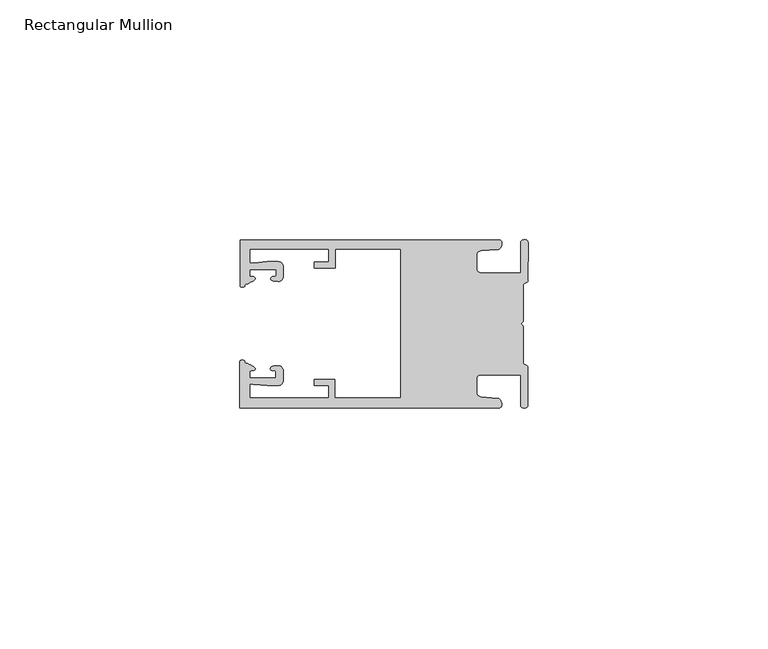
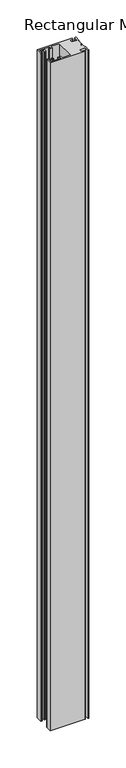
"""IFC4 building model written with IfcOpenShell, lengths in millimetres: member geometry, Rectangular Mullion."""

from ifc_helpers import new_model, si_unit, frame, origin, place, context, project, spatial, circle_curve, source, transform, mapped, element, save
from ifc_brep_helpers import plane_surface, cylinder_surface, extruded_surface, spline_curve, advanced_brep


def rectangular_mullion_45318a5f(model_context):
    return source(origin(), model_context, "Body", "AdvancedBrep", [
        advanced_brep(
        [(-60.0749377, 17.5111528, 0.0), (-60.0749377, 8.0140787, 0.0), (-59.3252567, 7.7187455, 0.0), (-58.4967974, 8.36785, 0.0), (-58.0726619, 10.1173923, 0.0), (-58.0713101, 11.3673916, 0.0), (-52.5713133, 11.3614437, 0.0), (-52.5726651, 10.1114444, 0.0), (-53.1427626, 8.8955539, 0.0), (-52.0740172, 8.8609044, 0.0), (-51.0729364, 9.8598224, 0.0), (-51.0706653, 11.9598211, 0.0), (-52.0700692, 12.9609024, 0.0), (-54.3905105, 12.9622843, 0.0), (-57.1599646, 12.7230061, 0.0), (-58.0696339, 12.9173907, 0.0), (-58.066768, 15.5673891, 0.0), (-41.5667584, 15.5673891, 0.0), (-41.5695894, 12.9495468, 0.0), (-44.5695877, 12.9527912, 0.0), (-44.5709936, 11.6527919, 0.0), (-40.2709961, 11.6481417, 0.0), (-40.2667576, 15.5673891, 0.0), (-26.6002952, 15.5673891, 0.0), (-26.6002952, -15.4518424, 0.0), (-40.3003032, -15.4518424, 0.0), (-40.2960856, -11.5518447, 0.0), (-44.5960831, -11.5471945, 0.0), (-44.597489, -12.8471938, 0.0), (-41.5974907, -12.8504381, 0.0), (-41.6003025, -15.4504366, 0.0), (-58.1002928, -15.4325927, 0.0), (-58.097427, -12.7825943, 0.0), (-57.1873395, -12.5901776, 0.0), (-54.4184094, -12.8354453, 0.0), (-52.0979705, -12.8390822, 0.0), (-51.0964037, -11.8401649, 0.0), (-51.0941327, -9.7401662, 0.0), (-52.0930507, -8.7390853, 0.0), (-53.1618685, -8.7714231, 0.0), (-52.5944022, -9.9885439, 0.0), (-52.595754, -11.2385431, 0.0), (-58.0957508, -11.2325952, 0.0), (-58.094399, -9.9825959, 0.0), (-58.5147494, -8.2321403, 0.0), (-59.3418028, -7.5812455, 0.0), (-60.0921208, -7.8749565, 0.0), (-60.0921208, -17.4888267, 0.0), (-6.1024861, -17.4888267, 0.0), (-6.5218639, -15.488372, 0.0), (-9.8784944, -15.2205466, 0.0), (-10.7989567, -14.2226333, 0.0), (-10.7961029, -11.5837474, 0.0), (-9.8734844, -10.5878272, 0.0), (-1.5950266, -10.5934991, 0.0), (-1.601948, -16.9936935, 0.0), (-0.1017194, -16.7830581, 0.0), (-0.0933208, -9.0170082, 0.0), (-1.0923837, -8.1499018, 0.0), (-1.0842165, -0.5977972, 0.0), (-1.0829111, 0.6093089, 0.0), (-1.0747439, 8.1614135, 0.0), (-0.0738079, 9.026357, 0.0), (-0.0654093, 16.7924069, 0.0), (-1.5651789, 17.0062866, 0.0), (-1.5651789, 10.6183257, 0.0), (-9.8505511, 10.6183257, 0.0), (-10.7710133, 11.6162391, 0.0), (-10.7681595, 14.255125, 0.0), (-9.845541, 15.2510452, 0.0), (-6.4883391, 15.5116099, 0.0), (-6.0646356, 17.5111528, 0.0), (-60.0749377, 17.5111528, -1097.6799999), (-6.0646356, 17.5111528, -1097.6799999), (-6.4883391, 15.5116099, -1097.6799999), (-9.845541, 15.2510452, -1097.6799999), (-10.7681595, 14.255125, -1097.6799999), (-10.7710133, 11.6162391, -1097.6799999), (-9.8505511, 10.6183257, -1097.6799999), (-1.5651789, 10.6183257, -1097.6799999), (-1.5651789, 17.0062866, -1097.6799999), (-0.0654093, 16.7924069, -1097.6799999), (-0.0738079, 9.026357, -1097.6799999), (-1.0747439, 8.1614135, -1097.6799999), (-1.0829111, 0.6093089, -1097.6799999), (-1.0842165, -0.5977972, -1097.6799999), (-1.0923837, -8.1499018, -1097.6799999), (-0.0933208, -9.0170082, -1097.6799999), (-0.1017194, -16.7830581, -1097.6799999), (-1.601948, -16.9936935, -1097.6799999), (-1.5950266, -10.5934991, -1097.6799999), (-9.8734844, -10.5878272, -1097.6799999), (-10.7961029, -11.5837474, -1097.6799999), (-10.7989567, -14.2226333, -1097.6799999), (-9.8784944, -15.2205466, -1097.6799999), (-6.5218639, -15.488372, -1097.6799999), (-6.1024861, -17.4888267, -1097.6799999), (-60.0921208, -17.4888267, -1097.6799999), (-60.0921208, -7.8749565, -1097.6799999), (-59.3418028, -7.5812455, -1097.6799999), (-58.5147494, -8.2321403, -1097.6799999), (-58.094399, -9.9825959, -1097.6799999), (-58.0957508, -11.2325952, -1097.6799999), (-52.595754, -11.2385431, -1097.6799999), (-52.5944022, -9.9885439, -1097.6799999), (-53.1618685, -8.7714231, -1097.6799999), (-52.0930507, -8.7390853, -1097.6799999), (-51.0941327, -9.7401662, -1097.6799999), (-51.0964037, -11.8401649, -1097.6799999), (-52.0979705, -12.8390823, -1097.6799999), (-54.4184094, -12.8354453, -1097.6799999), (-57.1873395, -12.5901776, -1097.6799999), (-58.097427, -12.7825943, -1097.6799999), (-58.1002928, -15.4325927, -1097.6799999), (-41.6003025, -15.4504366, -1097.6799999), (-41.5974907, -12.8504381, -1097.6799999), (-44.597489, -12.8471938, -1097.6799999), (-44.5960831, -11.5471945, -1097.6799999), (-40.2960856, -11.5518447, -1097.6799999), (-40.3003032, -15.4518424, -1097.6799999), (-26.6002952, -15.4518424, -1097.6799999), (-26.6002952, 15.5673891, -1097.6799999), (-40.2667576, 15.5673891, -1097.6799999), (-40.2709961, 11.6481417, -1097.6799999), (-44.5709936, 11.6527919, -1097.6799999), (-44.5695877, 12.9527912, -1097.6799999), (-41.5695894, 12.9495468, -1097.6799999), (-41.5667584, 15.5673891, -1097.6799999), (-58.066768, 15.5673891, -1097.6799999), (-58.0696339, 12.9173907, -1097.6799999), (-57.1599646, 12.7230061, -1097.6799999), (-54.3905105, 12.9622843, -1097.6799999), (-52.0700692, 12.9609023, -1097.6799999), (-51.0706653, 11.9598211, -1097.6799999), (-51.0729364, 9.8598224, -1097.6799999), (-52.0740172, 8.8609044, -1097.6799999), (-53.1427626, 8.8955539, -1097.6799999), (-52.5726651, 10.1114444, -1097.6799999), (-52.5713133, 11.3614437, -1097.6799999), (-58.0713101, 11.3673916, -1097.6799999), (-58.0726619, 10.1173923, -1097.6799999), (-58.4967974, 8.36785, -1097.6799999), (-59.3252567, 7.7187455, -1097.6799999), (-60.0749377, 8.0140787, -1097.6799999)],
        [
            (0, 1),
            (1, 2, spline_curve(3, [(-60.0749377, 8.0140787, 0.0), (-60.075233123, 7.740904774, 0.0), (-59.825339491, 7.642460332, 0.0), (-59.3252567, 7.7187455, 0.0)], [4, 4], [0.0, 0.0019169337574178654])),
            (2, 3, spline_curve(3, [(-59.3252567, 7.7187455, 0.0), (-59.094460914, 7.75918372, 0.0), (-59.054835463, 7.902257199, 0.0), (-59.05559987, 8.233305614, 0.0), (-59.138729113, 8.4134359, 0.0), (-58.4967974, 8.36785, 0.0)], [4, 2, 4], [0.0, 0.0010199524164107188, 0.0024874514725970356])),
            (3, 4, spline_curve(3, [(-58.4967974, 8.36785, 0.0), (-57.022393378, 9.053435667, 0.0), (-56.827266887, 9.364828726, 0.0), (-56.982213078, 9.742623404, 0.0), (-57.177375211, 9.855581791, 0.0), (-57.697928101, 9.887955071, 0.0), (-57.997449153, 9.835475348, 0.0), (-58.0726619, 10.1173923, 0.0)], [4, 2, 2, 4], [0.0, 0.003269869179570428, 0.005490050486237203, 0.0073545767114364426])),
            (4, 5),
            (5, 6),
            (6, 7),
            (7, 8, spline_curve(3, [(-52.5726651, 10.1114444, 0.0), (-52.667195519, 9.760172042, 0.0), (-52.937094388, 9.861877724, 0.0), (-53.356237032, 9.895631753, 0.0), (-53.491940439, 9.811038713, 0.0), (-53.761900775, 9.511438033, 0.0), (-53.892893546, 9.278787104, 0.0), (-53.1427626, 8.8955539, 0.0)], [4, 2, 2, 4], [0.0, 0.001593963049934732, 0.0033360256320283306, 0.005339140673503943])),
            (8, 9),
            (9, 10, circle_curve(frame((-52.0729358, 9.8609038, 0.0), z_axis=(0.0, 0.0, 1.0), x_axis=(-0.0010814451158600304, -0.9999994152380598, 0.0)), 1.0)),
            (10, 11),
            (11, 12, circle_curve(frame((-52.0706647, 11.9609026, 0.0), z_axis=(0.0, 0.0, 1.0), x_axis=(-0.0010814451158600304, -0.9999994152380598, 0.0)), 1.0)),
            (12, 13),
            (13, 14),
            (14, 15, spline_curve(3, [(-57.1599646, 12.7230061, 0.0), (-57.631533854, 12.682262968, 0.0), (-58.018602985, 12.477800124, 0.0), (-58.0696339, 12.9173907, 0.0)], [4, 4], [0.0, 0.0014803385355886016])),
            (15, 16),
            (16, 17),
            (17, 18),
            (18, 19),
            (19, 20),
            (20, 21),
            (21, 22),
            (22, 23),
            (23, 24),
            (24, 25),
            (25, 26),
            (26, 27),
            (27, 28),
            (28, 29),
            (29, 30),
            (30, 31),
            (31, 32),
            (32, 33, spline_curve(3, [(-58.097427, -12.7825943, 0.0), (-58.045445419, -12.343115126, 0.0), (-57.658819528, -12.548414611, 0.0), (-57.1873395, -12.5901776, 0.0)], [4, 4], [0.0, 0.0014803385355886016])),
            (33, 34),
            (34, 35),
            (35, 36, circle_curve(frame((-52.0964031, -11.8390835, 0.0), z_axis=(0.0, 0.0, 1.0), x_axis=(0.0010814451158600304, 0.9999994152380598, 0.0)), 1.0)),
            (36, 37),
            (37, 38, circle_curve(frame((-52.0941321, -9.7390847, 0.0), z_axis=(0.0, 0.0, 1.0), x_axis=(0.0010814451158600304, 0.9999994152380598, 0.0)), 1.0)),
            (38, 39),
            (39, 40, spline_curve(3, [(-53.1618685, -8.7714231, 0.0), (-53.912826582, -9.153032958, 0.0), (-53.782337352, -9.385966711, 0.0), (-53.51302565, -9.686150585, 0.0), (-53.377505444, -9.771037009, 0.0), (-52.958290774, -9.738189618, 0.0), (-52.688172635, -9.637067904, 0.0), (-52.5944022, -9.9885439, 0.0)], [4, 2, 2, 4], [0.0, 0.002003115041475612, 0.0037451776235692107, 0.005339140673503943])),
            (40, 41),
            (41, 42),
            (42, 43),
            (43, 44, spline_curve(3, [(-58.094399, -9.9825959, 0.0), (-58.018576674, -9.700842284, 0.0), (-57.719169706, -9.753969703, 0.0), (-57.198548014, -9.722722397, 0.0), (-57.003142178, -9.61018632, 0.0), (-56.847379222, -9.232727657, 0.0), (-57.041831673, -8.920913336, 0.0), (-58.5147494, -8.2321403, 0.0)], [4, 2, 2, 4], [0.0, 0.0018645262251992395, 0.004084707531866015, 0.0073545767114364426])),
            (44, 45, spline_curve(3, [(-58.5147494, -8.2321403, 0.0), (-59.156778208, -8.276337666, 0.0), (-59.073259494, -8.096387681, 0.0), (-59.071779067, -7.765341694, 0.0), (-59.111095017, -7.622182811, 0.0), (-59.3418028, -7.5812455, 0.0)], [4, 2, 4], [0.0, 0.0014674990561863168, 0.0024874514725970356])),
            (45, 46, spline_curve(3, [(-59.3418028, -7.5812455, 0.0), (-59.841719425, -7.503878887, 0.0), (-60.091825377, -7.601782574, 0.0), (-60.0921208, -7.8749565, 0.0)], [4, 4], [0.0, 0.0019169337574178654])),
            (46, 47),
            (47, 48),
            (48, 49, spline_curve(3, [(-6.1024861, -17.4888267, 0.0), (-5.074532184, -17.418062188, 0.0), (-5.631140689, -15.411414367, 0.0), (-6.5218639, -15.488372, 0.0)], [4, 4], [0.0, 0.0043819361547461745])),
            (49, 50),
            (50, 51, spline_curve(3, [(-9.8784944, -15.2205466, 0.0), (-10.440691543, -15.150698463, 0.0), (-10.74751234, -14.818060727, 0.0), (-10.7989567, -14.2226333, 0.0)], [4, 4], [0.0, 0.0028645797420738927])),
            (51, 52),
            (52, 53, spline_curve(3, [(-10.7961029, -11.5837474, 0.0), (-10.743370817, -10.988432634, 0.0), (-10.435831301, -10.656459204, 0.0), (-9.8734844, -10.5878272, 0.0)], [4, 4], [0.0, 0.0028645797420738927])),
            (53, 54),
            (54, 55),
            (55, 56, spline_curve(3, [(-1.601948, -16.9936935, 0.0), (-1.655676874, -17.600261454, 0.0), (-0.043737403, -17.912795581, 0.0), (-0.1017194, -16.7830581, 0.0)], [4, 4], [0.0, 0.0036987374396357936])),
            (56, 57),
            (57, 58, spline_curve(3, [(-0.0933208, -9.0170082, 0.0), (-0.018818183, -8.695886697, 0.0), (-1.193434327, -8.459763043, 0.0), (-1.0923837, -8.1499018, 0.0)], [4, 4], [0.0, 0.002027216749630121])),
            (58, 59),
            (59, 60, spline_curve(3, [(-1.0842165, -0.5977972, 0.0), (-1.013223198, -0.445980437, 0.0), (-1.487945123, -0.206736825, 0.0), (-1.487409651, 0.231097965, 0.0), (-0.999110985, 0.429090391, 0.0), (-1.0829111, 0.6093089, 0.0)], [4, 2, 4], [0.0, 0.00249866671847065, 0.005031402919736269])),
            (60, 61),
            (61, 62, spline_curve(3, [(-1.0747439, 8.1614135, 0.0), (-1.175124095, 8.47149258, 0.0), (-7e-09, 8.705075107, 0.0), (-0.0738079, 9.026357, 0.0)], [4, 4], [0.0, 0.002027216749630121])),
            (62, 63),
            (63, 64, spline_curve(3, [(-0.0654093, 16.7924069, 0.0), (-0.004983942, 17.92201633, 0.0), (-1.617595709, 17.612969344, 0.0), (-1.5651789, 17.0062866, 0.0)], [4, 4], [0.0, 0.0036987374396357936])),
            (64, 65),
            (65, 66),
            (66, 67, spline_curve(3, [(-9.8505511, 10.6183257, 0.0), (-10.412748243, 10.688173837, 0.0), (-10.71956894, 11.020811673, 0.0), (-10.7710133, 11.6162391, 0.0)], [4, 4], [0.0, 0.0028645797420738927])),
            (67, 68),
            (68, 69, spline_curve(3, [(-10.7681595, 14.255125, 0.0), (-10.715427417, 14.850439766, 0.0), (-10.407887901, 15.182413196, 0.0), (-9.845541, 15.2510452, 0.0)], [4, 4], [0.0, 0.0028645797420738927])),
            (69, 70),
            (70, 71, spline_curve(3, [(-6.4883391, 15.5116099, 0.0), (-5.597784423, 15.432725911, 0.0), (-5.036837144, 17.438165103, 0.0), (-6.0646356, 17.5111528, 0.0)], [4, 4], [0.0, 0.0043819361547461745])),
            (71, 0),
            (72, 73),
            (73, 74, spline_curve(3, [(-6.0646356, 17.5111528, -1097.6799999), (-5.036837144, 17.438165103, -1097.6799999), (-5.597784423, 15.432725911, -1097.6799999), (-6.4883391, 15.5116099, -1097.6799999)], [4, 4], [0.0, 0.0043819361547461745])),
            (74, 75),
            (75, 76, spline_curve(3, [(-9.845541, 15.2510452, -1097.6799999), (-10.407887901, 15.182413196, -1097.6799999), (-10.715427417, 14.850439766, -1097.6799999), (-10.7681595, 14.255125, -1097.6799999)], [4, 4], [0.0, 0.0028645797420738927])),
            (76, 77),
            (77, 78, spline_curve(3, [(-10.7710133, 11.6162391, -1097.6799999), (-10.71956894, 11.020811673, -1097.6799999), (-10.412748243, 10.688173837, -1097.6799999), (-9.8505511, 10.6183257, -1097.6799999)], [4, 4], [0.0, 0.0028645797420738927])),
            (78, 79),
            (79, 80),
            (80, 81, spline_curve(3, [(-1.5651789, 17.0062866, -1097.6799999), (-1.617595709, 17.612969344, -1097.6799999), (-0.004983942, 17.92201633, -1097.6799999), (-0.0654093, 16.7924069, -1097.6799999)], [4, 4], [0.0, 0.0036987374396357936])),
            (81, 82),
            (82, 83, spline_curve(3, [(-0.0738079, 9.026357, -1097.6799999), (-7e-09, 8.705075107, -1097.6799999), (-1.175124095, 8.47149258, -1097.6799999), (-1.0747439, 8.1614135, -1097.6799999)], [4, 4], [0.0, 0.002027216749630121])),
            (83, 84),
            (84, 85, spline_curve(3, [(-1.0829111, 0.6093089, -1097.6799999), (-0.999110985, 0.429090391, -1097.6799999), (-1.487409651, 0.231097965, -1097.6799999), (-1.487945123, -0.206736825, -1097.6799999), (-1.013223198, -0.445980437, -1097.6799999), (-1.0842165, -0.5977972, -1097.6799999)], [4, 2, 4], [0.0, 0.002532736201265619, 0.005031402919736269])),
            (85, 86),
            (86, 87, spline_curve(3, [(-1.0923837, -8.1499018, -1097.6799999), (-1.193434327, -8.459763043, -1097.6799999), (-0.018818183, -8.695886697, -1097.6799999), (-0.0933208, -9.0170082, -1097.6799999)], [4, 4], [0.0, 0.002027216749630121])),
            (87, 88),
            (88, 89, spline_curve(3, [(-0.1017194, -16.7830581, -1097.6799999), (-0.043737403, -17.912795581, -1097.6799999), (-1.655676874, -17.600261454, -1097.6799999), (-1.601948, -16.9936935, -1097.6799999)], [4, 4], [0.0, 0.0036987374396357936])),
            (89, 90),
            (90, 91),
            (91, 92, spline_curve(3, [(-9.8734844, -10.5878272, -1097.6799999), (-10.435831301, -10.656459204, -1097.6799999), (-10.743370817, -10.988432634, -1097.6799999), (-10.7961029, -11.5837474, -1097.6799999)], [4, 4], [0.0, 0.0028645797420738927])),
            (92, 93),
            (93, 94, spline_curve(3, [(-10.7989567, -14.2226333, -1097.6799999), (-10.74751234, -14.818060727, -1097.6799999), (-10.440691543, -15.150698463, -1097.6799999), (-9.8784944, -15.2205466, -1097.6799999)], [4, 4], [0.0, 0.0028645797420738927])),
            (94, 95),
            (95, 96, spline_curve(3, [(-6.5218639, -15.488372, -1097.6799999), (-5.631140689, -15.411414367, -1097.6799999), (-5.074532184, -17.418062188, -1097.6799999), (-6.1024861, -17.4888267, -1097.6799999)], [4, 4], [0.0, 0.0043819361547461745])),
            (96, 97),
            (97, 98),
            (98, 99, spline_curve(3, [(-60.0921208, -7.8749565, -1097.6799999), (-60.091825377, -7.601782574, -1097.6799999), (-59.841719425, -7.503878887, -1097.6799999), (-59.3418028, -7.5812455, -1097.6799999)], [4, 4], [0.0, 0.0019169337574178654])),
            (99, 100, spline_curve(3, [(-59.3418028, -7.5812455, -1097.6799999), (-59.111095017, -7.622182811, -1097.6799999), (-59.071779067, -7.765341694, -1097.6799999), (-59.073259494, -8.096387681, -1097.6799999), (-59.156778208, -8.276337666, -1097.6799999), (-58.5147494, -8.2321403, -1097.6799999)], [4, 2, 4], [0.0, 0.0010199524164107188, 0.0024874514725970356])),
            (100, 101, spline_curve(3, [(-58.5147494, -8.2321403, -1097.6799999), (-57.041831673, -8.920913336, -1097.6799999), (-56.847379222, -9.232727657, -1097.6799999), (-57.003142178, -9.61018632, -1097.6799999), (-57.198548014, -9.722722397, -1097.6799999), (-57.719169706, -9.753969703, -1097.6799999), (-58.018576674, -9.700842284, -1097.6799999), (-58.094399, -9.9825959, -1097.6799999)], [4, 2, 2, 4], [0.0, 0.003269869179570428, 0.005490050486237203, 0.0073545767114364426])),
            (101, 102),
            (102, 103),
            (103, 104),
            (104, 105, spline_curve(3, [(-52.5944022, -9.9885439, -1097.6799999), (-52.688172635, -9.637067904, -1097.6799999), (-52.958290774, -9.738189618, -1097.6799999), (-53.377505444, -9.771037009, -1097.6799999), (-53.51302565, -9.686150585, -1097.6799999), (-53.782337352, -9.385966711, -1097.6799999), (-53.912826582, -9.153032958, -1097.6799999), (-53.1618685, -8.7714231, -1097.6799999)], [4, 2, 2, 4], [0.0, 0.001593963049934732, 0.0033360256320283306, 0.005339140673503943])),
            (105, 106),
            (106, 107, circle_curve(frame((-52.0941321, -9.7390847, -1097.6799999), z_axis=(0.0, 0.0, -1.0), x_axis=(0.0010814451158600304, 0.9999994152380598, 0.0)), 1.0)),
            (107, 108),
            (108, 109, circle_curve(frame((-52.0964031, -11.8390835, -1097.6799999), z_axis=(0.0, 0.0, -1.0), x_axis=(0.0010814451158600304, 0.9999994152380598, 0.0)), 1.0)),
            (109, 110),
            (110, 111),
            (111, 112, spline_curve(3, [(-57.1873395, -12.5901776, -1097.6799999), (-57.658819528, -12.548414611, -1097.6799999), (-58.045445419, -12.343115126, -1097.6799999), (-58.097427, -12.7825943, -1097.6799999)], [4, 4], [0.0, 0.0014803385355886016])),
            (112, 113),
            (113, 114),
            (114, 115),
            (115, 116),
            (116, 117),
            (117, 118),
            (118, 119),
            (119, 120),
            (120, 121),
            (121, 122),
            (122, 123),
            (123, 124),
            (124, 125),
            (125, 126),
            (126, 127),
            (127, 128),
            (128, 129),
            (129, 130, spline_curve(3, [(-58.0696339, 12.9173907, -1097.6799999), (-58.018602985, 12.477800124, -1097.6799999), (-57.631533854, 12.682262968, -1097.6799999), (-57.1599646, 12.7230061, -1097.6799999)], [4, 4], [0.0, 0.0014803385355886016])),
            (130, 131),
            (131, 132),
            (132, 133, circle_curve(frame((-52.0706647, 11.9609026, -1097.6799999), z_axis=(0.0, 0.0, -1.0), x_axis=(-0.0010814451158600304, -0.9999994152380598, 0.0)), 1.0)),
            (133, 134),
            (134, 135, circle_curve(frame((-52.0729358, 9.8609038, -1097.6799999), z_axis=(0.0, 0.0, -1.0), x_axis=(-0.0010814451158600304, -0.9999994152380598, 0.0)), 1.0)),
            (135, 136),
            (136, 137, spline_curve(3, [(-53.1427626, 8.8955539, -1097.6799999), (-53.892893546, 9.278787104, -1097.6799999), (-53.761900775, 9.511438033, -1097.6799999), (-53.491940439, 9.811038713, -1097.6799999), (-53.356237032, 9.895631753, -1097.6799999), (-52.937094388, 9.861877724, -1097.6799999), (-52.667195519, 9.760172042, -1097.6799999), (-52.5726651, 10.1114444, -1097.6799999)], [4, 2, 2, 4], [0.0, 0.002003115041475612, 0.0037451776235692107, 0.005339140673503943])),
            (137, 138),
            (138, 139),
            (139, 140),
            (140, 141, spline_curve(3, [(-58.0726619, 10.1173923, -1097.6799999), (-57.997449153, 9.835475348, -1097.6799999), (-57.697928101, 9.887955071, -1097.6799999), (-57.177375211, 9.855581791, -1097.6799999), (-56.982213078, 9.742623404, -1097.6799999), (-56.827266887, 9.364828726, -1097.6799999), (-57.022393378, 9.053435667, -1097.6799999), (-58.4967974, 8.36785, -1097.6799999)], [4, 2, 2, 4], [0.0, 0.0018645262251992395, 0.004084707531866015, 0.0073545767114364426])),
            (141, 142, spline_curve(3, [(-58.4967974, 8.36785, -1097.6799999), (-59.138729113, 8.4134359, -1097.6799999), (-59.05559987, 8.233305614, -1097.6799999), (-59.054835463, 7.902257199, -1097.6799999), (-59.094460914, 7.75918372, -1097.6799999), (-59.3252567, 7.7187455, -1097.6799999)], [4, 2, 4], [0.0, 0.0014674990561863168, 0.0024874514725970356])),
            (142, 143, spline_curve(3, [(-59.3252567, 7.7187455, -1097.6799999), (-59.825339491, 7.642460332, -1097.6799999), (-60.075233123, 7.740904774, -1097.6799999), (-60.0749377, 8.0140787, -1097.6799999)], [4, 4], [0.0, 0.0019169337574178654])),
            (143, 72),
            (0, 72),
            (143, 1),
            (142, 2),
            (141, 3),
            (140, 4),
            (139, 5),
            (138, 6),
            (137, 7),
            (136, 8),
            (135, 9),
            (134, 10),
            (133, 11),
            (132, 12),
            (131, 13),
            (130, 14),
            (129, 15),
            (128, 16),
            (127, 17),
            (126, 18),
            (125, 19),
            (124, 20),
            (123, 21),
            (122, 22),
            (121, 23),
            (120, 24),
            (119, 25),
            (118, 26),
            (117, 27),
            (116, 28),
            (115, 29),
            (114, 30),
            (113, 31),
            (112, 32),
            (111, 33),
            (110, 34),
            (109, 35),
            (108, 36),
            (107, 37),
            (106, 38),
            (105, 39),
            (104, 40),
            (103, 41),
            (102, 42),
            (101, 43),
            (100, 44),
            (99, 45),
            (98, 46),
            (97, 47),
            (96, 48),
            (95, 49),
            (94, 50),
            (93, 51),
            (92, 52),
            (91, 53),
            (90, 54),
            (89, 55),
            (88, 56),
            (87, 57),
            (86, 58),
            (85, 59),
            (84, 60),
            (83, 61),
            (82, 62),
            (81, 63),
            (80, 64),
            (79, 65),
            (78, 66),
            (77, 67),
            (76, 68),
            (75, 69),
            (74, 70),
            (73, 71),
        ],
        [
            plane_surface(frame((0.0, -62.5853181, 0.0), z_axis=(0.0, 0.0, 1.0), x_axis=(-1.0, 0.0, 0.0))),
            plane_surface(frame((0.0, -62.5853181, -1097.6799999), z_axis=(0.0, 0.0, -1.0), x_axis=(-1.0, 0.0, 0.0))),
            plane_surface(frame((-60.0749377, 17.5111528, 0.0), z_axis=(-1.0, 0.0, 0.0), x_axis=(0.0, 0.0, -1.0))),
            extruded_surface(spline_curve(3, [(-60.0749377, 8.0140787, -1097.6799999), (-60.075233123, 7.740904774, -1097.6799999), (-59.825339491, 7.642460332, -1097.6799999), (-59.3252567, 7.7187455, -1097.6799999)], [4, 4], [0.0, 0.0019169337574178654]), (0.0, 0.0, 1097.6799999), 1097.6799999),
            extruded_surface(spline_curve(3, [(-59.3252567, 7.7187455, -1097.6799999), (-59.094460914, 7.75918372, -1097.6799999), (-59.054835463, 7.902257199, -1097.6799999), (-59.05559987, 8.233305614, -1097.6799999), (-59.138729113, 8.4134359, -1097.6799999), (-58.4967974, 8.36785, -1097.6799999)], [4, 2, 4], [0.0, 0.0010199524164107188, 0.0024874514725970356]), (0.0, 0.0, 1097.6799999), 1097.6799999),
            extruded_surface(spline_curve(3, [(-58.4967974, 8.36785, -1097.6799999), (-57.022393378, 9.053435667, -1097.6799999), (-56.827266887, 9.364828726, -1097.6799999), (-56.982213078, 9.742623404, -1097.6799999), (-57.177375211, 9.855581791, -1097.6799999), (-57.697928101, 9.887955071, -1097.6799999), (-57.997449153, 9.835475348, -1097.6799999), (-58.0726619, 10.1173923, -1097.6799999)], [4, 2, 2, 4], [0.0, 0.003269869179570428, 0.005490050486237203, 0.0073545767114364426]), (0.0, 0.0, 1097.6799999), 1097.6799999),
            plane_surface(frame((-58.0726619, 10.1173923, 0.0), z_axis=(0.9999994152380598, -0.0010814451158634145, 0.0), x_axis=(0.0, 0.0, -1.0))),
            plane_surface(frame((-58.0713101, 11.3673916, 0.0), z_axis=(-0.0010814451158616418, -0.9999994152380598, 0.0), x_axis=(0.0, 0.0, -1.0))),
            plane_surface(frame((-52.5713133, 11.3614437, 0.0), z_axis=(-0.9999994152380598, 0.0010814451158643293, 0.0), x_axis=(0.0, 0.0, -1.0))),
            extruded_surface(spline_curve(3, [(-52.5726651, 10.1114444, -1097.6799999), (-52.667195519, 9.760172042, -1097.6799999), (-52.937094388, 9.861877724, -1097.6799999), (-53.356237032, 9.895631753, -1097.6799999), (-53.491940439, 9.811038713, -1097.6799999), (-53.761900775, 9.511438033, -1097.6799999), (-53.892893546, 9.278787104, -1097.6799999), (-53.1427626, 8.8955539, -1097.6799999)], [4, 2, 2, 4], [0.0, 0.001593963049934732, 0.0033360256320283306, 0.005339140673503943]), (0.0, 0.0, 1097.6799999), 1097.6799999),
            plane_surface(frame((-53.1427626, 8.8955539, 0.0), z_axis=(-0.032403661401520414, -0.9994748634797054, 0.0), x_axis=(0.0, 0.0, -1.0))),
            cylinder_surface(frame((-52.0729358, 9.8609038, 0.0), z_axis=(0.0, 0.0, 1.0000000000000002), x_axis=(-0.0010814451158600304, -0.9999994152380598, 0.0)), 1.0),
            plane_surface(frame((-51.0729364, 9.8598224, 0.0), z_axis=(0.9999994152380598, -0.001081445115864059, 0.0), x_axis=(0.0, 0.0, -1.0))),
            cylinder_surface(frame((-52.0706647, 11.9609026, 0.0), z_axis=(0.0, 0.0, 1.0000000000000002), x_axis=(-0.0010814451158600304, -0.9999994152380598, 0.0)), 1.0),
            plane_surface(frame((-52.0700692, 12.9609023, 0.0), z_axis=(0.0005955716436318007, 0.999999822647193, 0.0), x_axis=(0.0, 0.0, -1.0))),
            plane_surface(frame((-54.3905105, 12.9622843, 0.0), z_axis=(-0.08607836189159865, 0.9962883697073147, 0.0), x_axis=(0.0, 0.0, -1.0))),
            extruded_surface(spline_curve(3, [(-57.1599646, 12.7230061, -1097.6799999), (-57.631533854, 12.682262968, -1097.6799999), (-58.018602985, 12.477800124, -1097.6799999), (-58.0696339, 12.9173907, -1097.6799999)], [4, 4], [0.0, 0.0014803385355886016]), (0.0, 0.0, 1097.6799999), 1097.6799999),
            plane_surface(frame((-58.0696339, 12.9173907, 0.0), z_axis=(0.9999994152380598, -0.0010814451158629996, 0.0), x_axis=(0.0, 0.0, -1.0))),
            plane_surface(frame((-58.066768, 15.5673891, 0.0), z_axis=(0.0, -1.0, 0.0), x_axis=(0.0, 0.0, -1.0))),
            plane_surface(frame((-41.5667584, 15.5673891, 0.0), z_axis=(-0.9999994152380598, 0.0010814451158636304, 0.0), x_axis=(0.0, 0.0, -1.0))),
            plane_surface(frame((-41.5695894, 12.9495468, 0.0), z_axis=(0.0010814451158615687, 0.9999994152380598, 0.0), x_axis=(0.0, 0.0, -1.0))),
            plane_surface(frame((-44.5695877, 12.9527912, 0.0), z_axis=(-0.9999994152380598, 0.0010814451158626742, 0.0), x_axis=(0.0, 0.0, -1.0))),
            plane_surface(frame((-44.5709936, 11.6527919, 0.0), z_axis=(-0.001081445115861604, -0.9999994152380598, 0.0), x_axis=(0.0, 0.0, -1.0))),
            plane_surface(frame((-40.2709961, 11.6481417, 0.0), z_axis=(0.9999994152380598, -0.001081445115863507, 0.0), x_axis=(0.0, 0.0, -1.0))),
            plane_surface(frame((-40.2667576, 15.5673891, 0.0), z_axis=(0.0, -1.0, 0.0), x_axis=(0.0, 0.0, -1.0))),
            plane_surface(frame((-26.6002952, 15.5673891, 0.0), z_axis=(-1.0, 0.0, 0.0), x_axis=(0.0, 0.0, -1.0))),
            plane_surface(frame((-26.6002952, -15.4518424, 0.0), z_axis=(0.0, 1.0, 0.0), x_axis=(0.0, 0.0, -1.0))),
            plane_surface(frame((-40.3003032, -15.4518424, 0.0), z_axis=(0.9999994152380598, -0.0010814451158565538, 0.0), x_axis=(0.0, 0.0, -1.0))),
            plane_surface(frame((-40.2960856, -11.5518447, 0.0), z_axis=(0.0010814451158584568, 0.9999994152380598, 0.0), x_axis=(0.0, 0.0, -1.0))),
            plane_surface(frame((-44.5960831, -11.5471945, 0.0), z_axis=(-0.9999994152380598, 0.0010814451158573867, 0.0), x_axis=(0.0, 0.0, -1.0))),
            plane_surface(frame((-44.597489, -12.8471938, 0.0), z_axis=(-0.0010814451158584922, -0.9999994152380598, 0.0), x_axis=(0.0, 0.0, -1.0))),
            plane_surface(frame((-41.5974907, -12.8504381, 0.0), z_axis=(-0.9999994152380598, 0.0010814451158564305, 0.0), x_axis=(0.0, 0.0, -1.0))),
            plane_surface(frame((-41.6003025, -15.4504366, 0.0), z_axis=(0.0010814451158583872, 0.9999994152380598, 0.0), x_axis=(0.0, 0.0, -1.0))),
            plane_surface(frame((-58.1002928, -15.4325927, 0.0), z_axis=(0.9999994152380598, -0.0010814451158570612, 0.0), x_axis=(0.0, 0.0, -1.0))),
            extruded_surface(spline_curve(3, [(-58.097427, -12.7825943, -1097.6799999), (-58.045445419, -12.343115126, -1097.6799999), (-57.658819528, -12.548414611, -1097.6799999), (-57.1873395, -12.5901776, -1097.6799999)], [4, 4], [0.0, 0.0014803385355886016]), (0.0, 0.0, 1097.6799999), 1097.6799999),
            plane_surface(frame((-57.1873395, -12.5901776, 0.0), z_axis=(-0.0882330216729926, -0.9960998614026876, 0.0), x_axis=(0.0, 0.0, -1.0))),
            plane_surface(frame((-54.4184094, -12.8354453, 0.0), z_axis=(-0.0015673183327880543, -0.9999987717558677, 0.0), x_axis=(0.0, 0.0, -1.0))),
            cylinder_surface(frame((-52.0964031, -11.8390835, 0.0), z_axis=(0.0, 0.0, 1.0000000000000002), x_axis=(0.0010814451158600304, 0.9999994152380598, 0.0)), 1.0),
            plane_surface(frame((-51.0964037, -11.8401649, 0.0), z_axis=(0.9999994152380598, -0.001081445115856002, 0.0), x_axis=(0.0, 0.0, -1.0))),
            cylinder_surface(frame((-52.0941321, -9.7390847, 0.0), z_axis=(0.0, 0.0, 1.0000000000000002), x_axis=(0.0010814451158600304, 0.9999994152380598, 0.0)), 1.0),
            plane_surface(frame((-52.0930507, -8.7390853, 0.0), z_axis=(-0.030241832452872642, 0.9995426111826812, 0.0), x_axis=(0.0, 0.0, -1.0))),
            extruded_surface(spline_curve(3, [(-53.1618685, -8.7714231, -1097.6799999), (-53.912826582, -9.153032958, -1097.6799999), (-53.782337352, -9.385966711, -1097.6799999), (-53.51302565, -9.686150585, -1097.6799999), (-53.377505444, -9.771037009, -1097.6799999), (-52.958290774, -9.738189618, -1097.6799999), (-52.688172635, -9.637067904, -1097.6799999), (-52.5944022, -9.9885439, -1097.6799999)], [4, 2, 2, 4], [0.0, 0.002003115041475612, 0.0037451776235692107, 0.005339140673503943]), (0.0, 0.0, 1097.6799999), 1097.6799999),
            plane_surface(frame((-52.5944022, -9.9885439, 0.0), z_axis=(-0.9999994152380598, 0.0010814451158557316, 0.0), x_axis=(0.0, 0.0, -1.0))),
            plane_surface(frame((-52.595754, -11.2385431, 0.0), z_axis=(0.001081445115858419, 0.9999994152380598, 0.0), x_axis=(0.0, 0.0, -1.0))),
            plane_surface(frame((-58.0957508, -11.2325952, 0.0), z_axis=(0.9999994152380598, -0.0010814451158566464, 0.0), x_axis=(0.0, 0.0, -1.0))),
            extruded_surface(spline_curve(3, [(-58.094399, -9.9825959, -1097.6799999), (-58.018576674, -9.700842284, -1097.6799999), (-57.719169706, -9.753969703, -1097.6799999), (-57.198548014, -9.722722397, -1097.6799999), (-57.003142178, -9.61018632, -1097.6799999), (-56.847379222, -9.232727657, -1097.6799999), (-57.041831673, -8.920913336, -1097.6799999), (-58.5147494, -8.2321403, -1097.6799999)], [4, 2, 2, 4], [0.0, 0.0018645262251992395, 0.004084707531866015, 0.0073545767114364426]), (0.0, 0.0, 1097.6799999), 1097.6799999),
            extruded_surface(spline_curve(3, [(-58.5147494, -8.2321403, -1097.6799999), (-59.156778208, -8.276337666, -1097.6799999), (-59.073259494, -8.096387681, -1097.6799999), (-59.071779067, -7.765341694, -1097.6799999), (-59.111095017, -7.622182811, -1097.6799999), (-59.3418028, -7.5812455, -1097.6799999)], [4, 2, 4], [0.0, 0.0014674990561863168, 0.0024874514725970356]), (0.0, 0.0, 1097.6799999), 1097.6799999),
            extruded_surface(spline_curve(3, [(-59.3418028, -7.5812455, -1097.6799999), (-59.841719425, -7.503878887, -1097.6799999), (-60.091825377, -7.601782574, -1097.6799999), (-60.0921208, -7.8749565, -1097.6799999)], [4, 4], [0.0, 0.0019169337574178654]), (0.0, 0.0, 1097.6799999), 1097.6799999),
            plane_surface(frame((-60.0921208, -7.8749565, 0.0), z_axis=(-1.0, 0.0, 0.0), x_axis=(0.0, 0.0, -1.0))),
            plane_surface(frame((-60.0921208, -17.4888267, 0.0), z_axis=(0.0, -1.0, 0.0), x_axis=(0.0, 0.0, -1.0))),
            extruded_surface(spline_curve(3, [(-6.1024861, -17.4888267, -1097.6799999), (-5.074532184, -17.418062188, -1097.6799999), (-5.631140689, -15.411414367, -1097.6799999), (-6.5218639, -15.488372, -1097.6799999)], [4, 4], [0.0, 0.0043819361547461745]), (0.0, 0.0, 1097.6799999), 1097.6799999),
            plane_surface(frame((-6.5218639, -15.488372, 0.0), z_axis=(0.07953716124904908, 0.9968319015663789, 0.0), x_axis=(0.0, 0.0, -1.0))),
            extruded_surface(spline_curve(3, [(-9.8784944, -15.2205466, -1097.6799999), (-10.440691543, -15.150698463, -1097.6799999), (-10.74751234, -14.818060727, -1097.6799999), (-10.7989567, -14.2226333, -1097.6799999)], [4, 4], [0.0, 0.0028645797420738927]), (0.0, 0.0, 1097.6799999), 1097.6799999),
            plane_surface(frame((-10.7989567, -14.2226333, 0.0), z_axis=(0.9999994152380598, -0.0010814451158568247, 0.0), x_axis=(0.0, 0.0, -1.0))),
            extruded_surface(spline_curve(3, [(-10.7961029, -11.5837474, -1097.6799999), (-10.743370817, -10.988432634, -1097.6799999), (-10.435831301, -10.656459204, -1097.6799999), (-9.8734844, -10.5878272, -1097.6799999)], [4, 4], [0.0, 0.0028645797420738927]), (0.0, 0.0, 1097.6799999), 1097.6799999),
            plane_surface(frame((-9.8734844, -10.5878272, 0.0), z_axis=(-0.0006851371995361226, -0.9999997652934814, 0.0), x_axis=(0.0, 0.0, -1.0))),
            plane_surface(frame((-1.5950266, -10.5934991, 0.0), z_axis=(-0.9999994152380598, 0.0010814451158568644, 0.0), x_axis=(0.0, 0.0, -1.0))),
            extruded_surface(spline_curve(3, [(-1.601948, -16.9936935, -1097.6799999), (-1.655676874, -17.600261454, -1097.6799999), (-0.043737403, -17.912795581, -1097.6799999), (-0.1017194, -16.7830581, -1097.6799999)], [4, 4], [0.0, 0.0036987374396357936]), (0.0, 0.0, 1097.6799999), 1097.6799999),
            plane_surface(frame((-0.1017194, -16.7830581, 0.0), z_axis=(0.9999994152380598, -0.001081445115856699, 0.0), x_axis=(0.0, 0.0, -1.0))),
            extruded_surface(spline_curve(3, [(-0.0933208, -9.0170082, -1097.6799999), (-0.018818183, -8.695886697, -1097.6799999), (-1.193434327, -8.459763043, -1097.6799999), (-1.0923837, -8.1499018, -1097.6799999)], [4, 4], [0.0, 0.002027216749630121]), (0.0, 0.0, 1097.6799999), 1097.6799999),
            plane_surface(frame((-1.0923837, -8.1499018, 0.0), z_axis=(0.9999994152380598, -0.0010814451158566698, 0.0), x_axis=(0.0, 0.0, -1.0))),
            extruded_surface(spline_curve(3, [(-1.0842165, -0.5977972, -1097.6799999), (-1.013223198, -0.445980437, -1097.6799999), (-1.487945123, -0.206736825, -1097.6799999), (-1.487409651, 0.231097965, -1097.6799999), (-0.999110985, 0.429090391, -1097.6799999), (-1.0829111, 0.6093089, -1097.6799999)], [4, 2, 4], [0.0, 0.00249866671847065, 0.005031402919736269]), (0.0, 0.0, 1097.6799999), 1097.6799999),
            plane_surface(frame((-1.0829111, 0.6093089, 0.0), z_axis=(0.9999994152380598, -0.001081445115863391, 0.0), x_axis=(0.0, 0.0, -1.0))),
            extruded_surface(spline_curve(3, [(-1.0747439, 8.1614135, -1097.6799999), (-1.175124095, 8.47149258, -1097.6799999), (-7e-09, 8.705075107, -1097.6799999), (-0.0738079, 9.026357, -1097.6799999)], [4, 4], [0.0, 0.002027216749630121]), (0.0, 0.0, 1097.6799999), 1097.6799999),
            plane_surface(frame((-0.0738079, 9.026357, 0.0), z_axis=(0.9999994152380598, -0.001081445115863362, 0.0), x_axis=(0.0, 0.0, -1.0))),
            extruded_surface(spline_curve(3, [(-0.0654093, 16.7924069, -1097.6799999), (-0.004983942, 17.92201633, -1097.6799999), (-1.617595709, 17.612969344, -1097.6799999), (-1.5651789, 17.0062866, -1097.6799999)], [4, 4], [0.0, 0.0036987374396357936]), (0.0, 0.0, 1097.6799999), 1097.6799999),
            plane_surface(frame((-1.5651789, 17.0062866, 0.0), z_axis=(-1.0, 0.0, 0.0), x_axis=(0.0, 0.0, -1.0))),
            plane_surface(frame((-1.5651789, 10.6183257, 0.0), z_axis=(0.0, 1.0, 0.0), x_axis=(0.0, 0.0, -1.0))),
            extruded_surface(spline_curve(3, [(-9.8505511, 10.6183257, -1097.6799999), (-10.412748243, 10.688173837, -1097.6799999), (-10.71956894, 11.020811673, -1097.6799999), (-10.7710133, 11.6162391, -1097.6799999)], [4, 4], [0.0, 0.0028645797420738927]), (0.0, 0.0, 1097.6799999), 1097.6799999),
            plane_surface(frame((-10.7710133, 11.6162391, 0.0), z_axis=(0.9999994152380598, -0.0010814451158632362, 0.0), x_axis=(0.0, 0.0, -1.0))),
            extruded_surface(spline_curve(3, [(-10.7681595, 14.255125, -1097.6799999), (-10.715427417, 14.850439766, -1097.6799999), (-10.407887901, 15.182413196, -1097.6799999), (-9.845541, 15.2510452, -1097.6799999)], [4, 4], [0.0, 0.0028645797420738927]), (0.0, 0.0, 1097.6799999), 1097.6799999),
            plane_surface(frame((-9.845541, 15.2510452, 0.0), z_axis=(0.07738093848608862, -0.9970015999781607, 0.0), x_axis=(0.0, 0.0, -1.0))),
            extruded_surface(spline_curve(3, [(-6.4883391, 15.5116099, -1097.6799999), (-5.597784423, 15.432725911, -1097.6799999), (-5.036837144, 17.438165103, -1097.6799999), (-6.0646356, 17.5111528, -1097.6799999)], [4, 4], [0.0, 0.0043819361547461745]), (0.0, 0.0, 1097.6799999), 1097.6799999),
            plane_surface(frame((-6.0646356, 17.5111528, 0.0), z_axis=(0.0, 1.0, 0.0), x_axis=(0.0, 0.0, -1.0))),
        ],
        [
            (0, [[1, 2, 3, 4, 5, 6, 7, 8, 9, 10, 11, 12, 13, 14, 15, 16, 17, 18, 19, 20, 21, 22, 23, 24, 25, 26, 27, 28, 29, 30, 31, 32, 33, 34, 35, 36, 37, 38, 39, 40, 41, 42, 43, 44, 45, 46, 47, 48, 49, 50, 51, 52, 53, 54, 55, 56, 57, 58, 59, 60, 61, 62, 63, 64, 65, 66, 67, 68, 69, 70, 71, 72]]),
            (1, [[73, 74, 75, 76, 77, 78, 79, 80, 81, 82, 83, 84, 85, 86, 87, 88, 89, 90, 91, 92, 93, 94, 95, 96, 97, 98, 99, 100, 101, 102, 103, 104, 105, 106, 107, 108, 109, 110, 111, 112, 113, 114, 115, 116, 117, 118, 119, 120, 121, 122, 123, 124, 125, 126, 127, 128, 129, 130, 131, 132, 133, 134, 135, 136, 137, 138, 139, 140, 141, 142, 143, 144]]),
            (2, [[-1, 145, -144, 146]]),
            (3, [[-2, -146, -143, 147]]),
            (4, [[-3, -147, -142, 148]]),
            (5, [[-4, -148, -141, 149]]),
            (6, [[-5, -149, -140, 150]]),
            (7, [[-6, -150, -139, 151]]),
            (8, [[-7, -151, -138, 152]]),
            (9, [[-8, -152, -137, 153]]),
            (10, [[-9, -153, -136, 154]]),
            (11, [[-10, -154, -135, 155]]),
            (12, [[-11, -155, -134, 156]]),
            (13, [[-12, -156, -133, 157]]),
            (14, [[-13, -157, -132, 158]]),
            (15, [[-14, -158, -131, 159]]),
            (16, [[-15, -159, -130, 160]]),
            (17, [[-16, -160, -129, 161]]),
            (18, [[-17, -161, -128, 162]]),
            (19, [[-18, -162, -127, 163]]),
            (20, [[-19, -163, -126, 164]]),
            (21, [[-20, -164, -125, 165]]),
            (22, [[-21, -165, -124, 166]]),
            (23, [[-22, -166, -123, 167]]),
            (24, [[-23, -167, -122, 168]]),
            (25, [[-24, -168, -121, 169]]),
            (26, [[-25, -169, -120, 170]]),
            (27, [[-26, -170, -119, 171]]),
            (28, [[-27, -171, -118, 172]]),
            (29, [[-28, -172, -117, 173]]),
            (30, [[-29, -173, -116, 174]]),
            (31, [[-30, -174, -115, 175]]),
            (32, [[-31, -175, -114, 176]]),
            (33, [[-32, -176, -113, 177]]),
            (34, [[-33, -177, -112, 178]]),
            (35, [[-34, -178, -111, 179]]),
            (36, [[-35, -179, -110, 180]]),
            (37, [[-36, -180, -109, 181]]),
            (38, [[-37, -181, -108, 182]]),
            (39, [[-38, -182, -107, 183]]),
            (40, [[-39, -183, -106, 184]]),
            (41, [[-40, -184, -105, 185]]),
            (42, [[-41, -185, -104, 186]]),
            (43, [[-42, -186, -103, 187]]),
            (44, [[-43, -187, -102, 188]]),
            (45, [[-44, -188, -101, 189]]),
            (46, [[-45, -189, -100, 190]]),
            (47, [[-46, -190, -99, 191]]),
            (48, [[-47, -191, -98, 192]]),
            (49, [[-48, -192, -97, 193]]),
            (50, [[-49, -193, -96, 194]]),
            (51, [[-50, -194, -95, 195]]),
            (52, [[-51, -195, -94, 196]]),
            (53, [[-52, -196, -93, 197]]),
            (54, [[-53, -197, -92, 198]]),
            (55, [[-54, -198, -91, 199]]),
            (56, [[-55, -199, -90, 200]]),
            (57, [[-56, -200, -89, 201]]),
            (58, [[-57, -201, -88, 202]]),
            (59, [[-58, -202, -87, 203]]),
            (60, [[-59, -203, -86, 204]]),
            (61, [[-60, -204, -85, 205]]),
            (62, [[-61, -205, -84, 206]]),
            (63, [[-62, -206, -83, 207]]),
            (64, [[-63, -207, -82, 208]]),
            (65, [[-64, -208, -81, 209]]),
            (66, [[-65, -209, -80, 210]]),
            (67, [[-66, -210, -79, 211]]),
            (68, [[-67, -211, -78, 212]]),
            (69, [[-68, -212, -77, 213]]),
            (70, [[-69, -213, -76, 214]]),
            (71, [[-70, -214, -75, 215]]),
            (72, [[-71, -215, -74, 216]]),
            (73, [[-72, -216, -73, -145]]),
        ],
    ),
    ])


if __name__ == "__main__":
    model = new_model("IFC4")
    model_context = context("Model", 3, world=origin())
    ifc_project = project(units=[si_unit("LENGTHUNIT", "METRE", prefix="MILLI")], contexts=[model_context])
    site = spatial("IfcSite", under=ifc_project)
    building = spatial("IfcBuilding", under=site)
    placement = place(None, origin())
    rectangular_mullion_shape = rectangular_mullion_45318a5f(model_context)
    element("IfcMember", 1, ObjectType="Rectangular Mullion", at=placement, inside=building, context=model_context, shape_type="MappedRepresentation", body=[
        mapped(rectangular_mullion_shape, transform((0.0, 0.0, 0.0), x_axis=(1.0, 0.0, 0.0), y_axis=(0.0, 1.0, 0.0), z_axis=(0.0, 0.0, 1.0))),
    ])
    save(model, "model.ifc")
